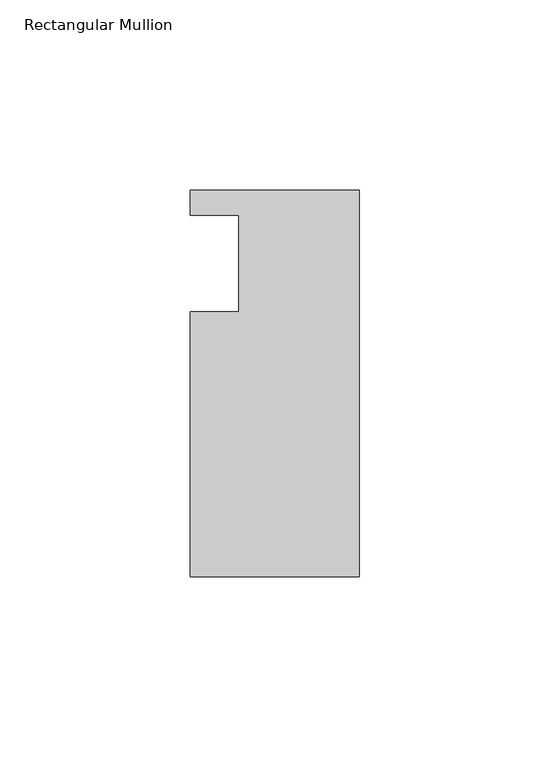
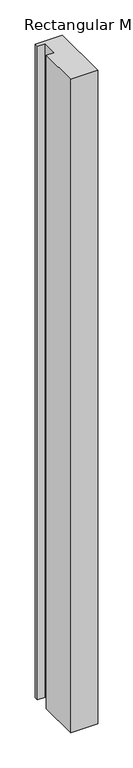
"""IFC4 building model written with IfcOpenShell, lengths in millimetres: member geometry, Rectangular Mullion."""

from ifc_helpers import new_model, si_unit, frame, origin, place, context, project, spatial, polyline, outline, extrude, source, transform, mapped, element, save


def rectangular_mullion_c1a481b4(model_context):
    return source(origin(), model_context, "Body", "SweptSolid", [
        extrude(outline(polyline([(-44.45, -72.8220862), (-44.45, -3.175), (-31.7482296, -3.175), (-31.7482296, 22.225), (-44.45, 22.225), (-44.45, 28.7779138), (0.0, 28.7779138), (0.0, -72.8220862), (-44.45, -72.8220862)])), frame((0.0, 0.0, -1137.0780973), z_axis=(0.0, 0.0, 1.0), x_axis=(1.0, 0.0, 0.0)), (0.0, 0.0, 1.0), 1137.0780973),
    ])


if __name__ == "__main__":
    model = new_model("IFC4")
    model_context = context("Model", 3, world=origin())
    ifc_project = project(units=[si_unit("LENGTHUNIT", "METRE", prefix="MILLI")], contexts=[model_context])
    site = spatial("IfcSite", under=ifc_project)
    building = spatial("IfcBuilding", under=site)
    placement = place(None, origin())
    rectangular_mullion_shape = rectangular_mullion_c1a481b4(model_context)
    element("IfcMember", 1, ObjectType="Rectangular Mullion", at=placement, inside=building, context=model_context, shape_type="MappedRepresentation", body=[
        mapped(rectangular_mullion_shape, transform((0.0, 0.0, 0.0), x_axis=(1.0, 0.0, 0.0), y_axis=(0.0, 1.0, 0.0), z_axis=(0.0, 0.0, 1.0))),
    ])
    save(model, "model.ifc")
